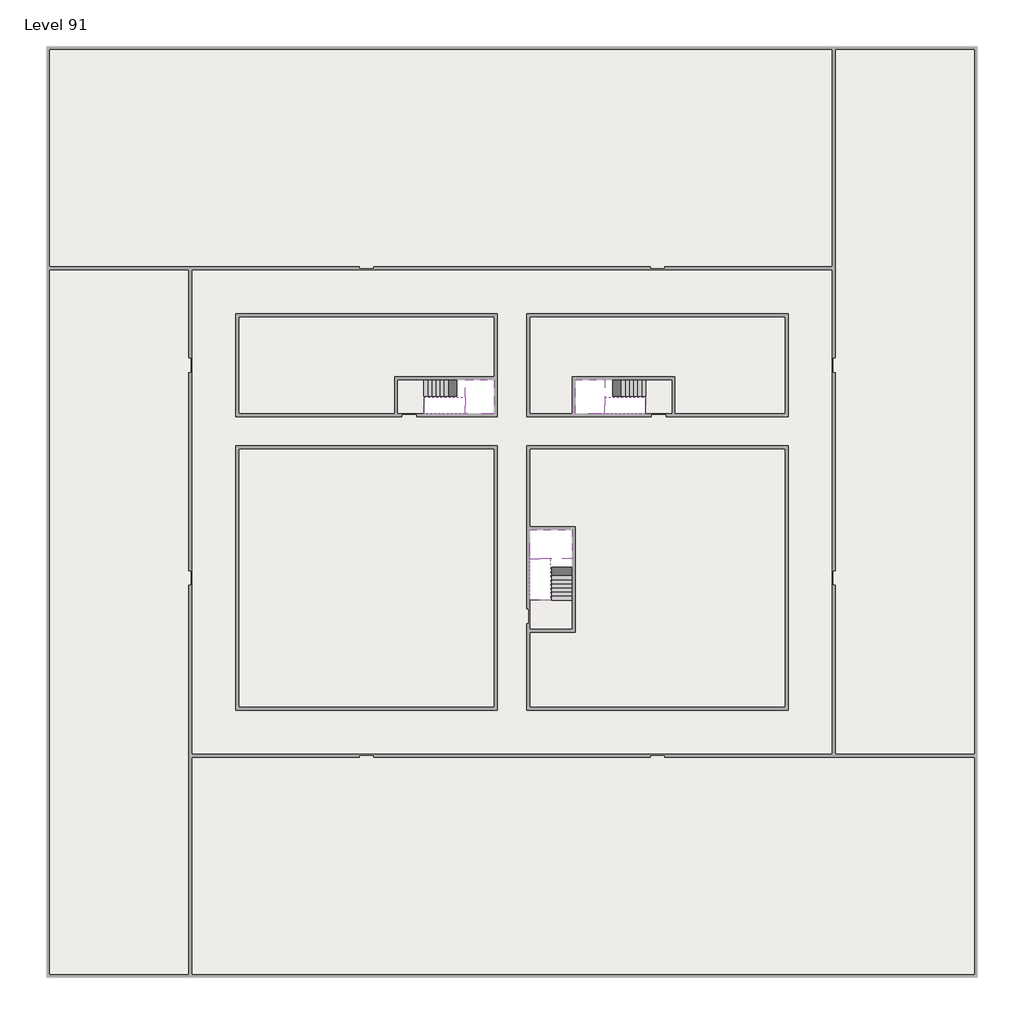
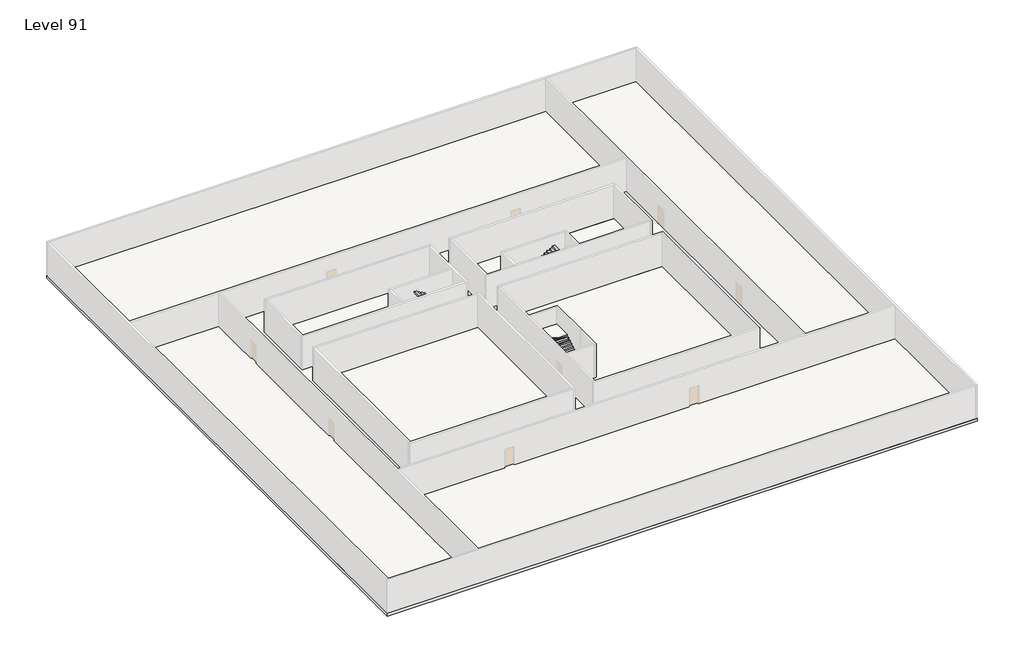
# One storey, part 2 of 2: 6 slabs, 6 stair flights.
"""IFC4 building model written with IfcOpenShell, lengths in millimetres."""

from ifc_helpers import new_model, si_unit, frame, origin, place, context, project, spatial, polyline, outline, extrude, faceted_brep, element, save

model = new_model("IFC4")

# Units and contexts
model_context = context("Model", 3, world=origin())
ifc_project = project(units=[si_unit("LENGTHUNIT", "METRE", prefix="MILLI")], contexts=[model_context])

# Site, building, storey
site = spatial("IfcSite", under=ifc_project)
building = spatial("IfcBuilding", under=site)
storey = spatial("IfcBuildingStorey", under=building, Name="Level 91", Elevation=342000.0)

# Slabs
placement = place(None, origin())
element("IfcSlab", 1, at=placement, inside=storey, context=model_context, shape_type="SweptSolid", body=[
    extrude(outline(polyline([(55890.1058784, -5518.09644), (55890.1058784, -68918.09644), (-7509.8941216, -68918.09644), (-7509.8941216, -5518.09644), (55890.1058784, -5518.09644)]), holes=[polyline([(22990.1058784, -23918.09644), (5590.1058784, -23918.09644), (5590.1058784, -30518.09644), (22990.1058784, -30518.09644), (22990.1058784, -23918.09644)]), polyline([(42990.1058784, -23918.09644), (25390.1058784, -23918.09644), (25390.1058784, -30518.09644), (42990.1058784, -30518.09644), (42990.1058784, -23918.09644)]), polyline([(25390.1058784, -50518.09644), (42790.1058784, -50518.09644), (42790.1058784, -32918.09644), (25390.1058784, -32918.09644), (25390.1058784, -50518.09644)]), polyline([(22990.1058784, -32918.09644), (5590.1058784, -32918.09644), (5590.1058784, -50518.09644), (22990.1058784, -50518.09644), (22990.1058784, -32918.09644)])]), frame((0.0, 0.0, 341700.0), z_axis=(0.0, 0.0, 1.0), x_axis=(1.0, 0.0, 0.0)), (0.0, 0.0, 1.0), 300.0),
])
element("IfcSlab", 2, at=placement, inside=storey, context=model_context, shape_type="SweptSolid", body=[
    extrude(outline(polyline([(22990.1058784, -23918.09644), (22990.1058784, -28018.09644), (16190.1058784, -28018.09644), (16190.1058784, -30518.09644), (5590.1058784, -30518.09644), (5590.1058784, -23918.09644), (22990.1058784, -23918.09644)])), frame((0.0, 0.0, 341700.0), z_axis=(0.0, 0.0, 1.0), x_axis=(1.0, 0.0, 0.0)), (0.0, 0.0, 1.0), 300.0),
    extrude(outline(polyline([(42790.1058784, -23918.09644), (42790.1058784, -30518.09644), (35290.1058784, -30518.09644), (35290.1058784, -28018.09644), (28490.1058784, -28018.09644), (28490.1058784, -30518.09644), (25390.1058784, -30518.09644), (25390.1058784, -23918.09644), (42790.1058784, -23918.09644)])), frame((0.0, 0.0, 341700.0), z_axis=(0.0, 0.0, 1.0), x_axis=(1.0, 0.0, 0.0)), (0.0, 0.0, 1.0), 300.0),
    extrude(outline(polyline([(22990.1058784, -32918.09644), (22990.1058784, -50518.09644), (5590.1058784, -50518.09644), (5590.1058784, -32918.09644), (22990.1058784, -32918.09644)])), frame((0.0, 0.0, 341700.0), z_axis=(0.0, 0.0, 1.0), x_axis=(1.0, 0.0, 0.0)), (0.0, 0.0, 1.0), 300.0),
    extrude(outline(polyline([(25390.1058784, -38218.09644), (25390.1058784, -32918.09644), (42790.1058784, -32918.09644), (42790.1058784, -50518.09644), (25390.1058784, -50518.09644), (25390.1058784, -45418.09644), (28490.1058784, -45418.09644), (28490.1058784, -38218.09644), (25390.1058784, -38218.09644)])), frame((0.0, 0.0, 341700.0), z_axis=(0.0, 0.0, 1.0), x_axis=(1.0, 0.0, 0.0)), (0.0, 0.0, 1.0), 300.0),
])
element("IfcSlab", 3, at=placement, inside=storey, context=model_context, shape_type="Brep", body=[
    faceted_brep([(26890.1058784, -40418.09644, 343900.0), (28290.1058784, -40418.09644, 343900.0), (28290.1058784, -40338.7100038, 343900.0), (28290.1058784, -38418.09644, 343900.0), (25390.1058784, -38418.09644, 343900.0), (25390.1058784, -40217.4828763, 343900.0), (25390.1058784, -40418.09644, 343900.0), (26790.1058784, -40418.09644, 343900.0), (26890.1058784, -40418.09644, 343600.0), (26890.1058784, -40418.09644, 343551.0278478), (28290.1058784, -40418.09644, 343551.0278478), (28290.1058784, -40418.09644, 343727.2727273), (28290.1058784, -40338.7100038, 343600.0), (28290.1058784, -38418.09644, 343600.0), (25390.1058784, -38418.09644, 343600.0), (25390.1058784, -40217.4828763, 343600.0), (25390.1058784, -40418.09644, 343723.7551205), (26790.1058784, -40418.09644, 343723.7551205), (26790.1058784, -40418.09644, 343600.0), (26790.1058784, -40217.4828763, 343600.0), (26890.1058784, -40338.7100038, 343600.0)], [[[0, 1, 2, 3, 4, 5, 6, 7]], [[1, 0, 8, 9, 10, 11]], [[1, 11, 10, 12, 13, 3, 2]], [[4, 3, 13, 14]], [[4, 14, 15, 16, 6, 5]], [[7, 6, 16, 17]], [[0, 7, 17, 18, 8]], [[18, 19, 15, 14, 13, 12, 20, 8]], [[19, 18, 17]], [[20, 12, 10, 9]], [[8, 20, 9]], [[15, 19, 17, 16]]]),
])
element("IfcSlab", 4, at=placement, inside=storey, context=model_context, shape_type="Brep", body=[
    faceted_brep([(20990.1058784, -28218.09644, 343900.0), (20990.1058784, -29318.09644, 343900.0), (20990.1058784, -29418.09644, 343900.0), (20990.1058784, -30518.09644, 343900.0), (21190.7194421, -30518.09644, 343900.0), (22990.1058784, -30518.09644, 343900.0), (22990.1058784, -28218.09644, 343900.0), (21069.4923146, -28218.09644, 343900.0), (20990.1058784, -28218.09644, 343727.2727273), (20990.1058784, -28218.09644, 343551.0278478), (20990.1058784, -29318.09644, 343551.0278478), (20990.1058784, -29318.09644, 343600.0), (20990.1058784, -29418.09644, 343600.0), (20990.1058784, -29418.09644, 343723.7551205), (20990.1058784, -30518.09644, 343723.7551205), (21190.7194421, -30518.09644, 343600.0), (22990.1058784, -30518.09644, 343600.0), (22990.1058784, -28218.09644, 343600.0), (21069.4923146, -28218.09644, 343600.0), (21190.7194421, -29418.09644, 343600.0), (21069.4923146, -29318.09644, 343600.0)], [[[0, 1, 2, 3, 4, 5, 6, 7]], [[1, 0, 8, 9, 10, 11]], [[2, 1, 11, 12, 13]], [[3, 2, 13, 14]], [[3, 14, 15, 16, 5, 4]], [[6, 5, 16, 17]], [[9, 8, 0, 7, 6, 17, 18]], [[19, 12, 11, 20, 18, 17, 16, 15]], [[12, 19, 13]], [[18, 20, 10, 9]], [[20, 11, 10]], [[19, 15, 14, 13]]]),
])
element("IfcSlab", 5, at=placement, inside=storey, context=model_context, shape_type="Brep", body=[
    faceted_brep([(30490.1058784, -29318.09644, 343900.0), (30490.1058784, -28218.09644, 343900.0), (30410.7194421, -28218.09644, 343900.0), (28490.1058784, -28218.09644, 343900.0), (28490.1058784, -30518.09644, 343900.0), (30289.4923146, -30518.09644, 343900.0), (30490.1058784, -30518.09644, 343900.0), (30490.1058784, -29418.09644, 343900.0), (30490.1058784, -29318.09644, 343600.0), (30490.1058784, -29318.09644, 343551.0278478), (30490.1058784, -28218.09644, 343551.0278478), (30490.1058784, -28218.09644, 343727.2727273), (30490.1058784, -29418.09644, 343723.7551205), (30490.1058784, -29418.09644, 343600.0), (30490.1058784, -30518.09644, 343723.7551205), (28490.1058784, -30518.09644, 343600.0), (30289.4923146, -30518.09644, 343600.0), (28490.1058784, -28218.09644, 343600.0), (30410.7194421, -28218.09644, 343600.0), (30289.4923146, -29418.09644, 343600.0), (30410.7194421, -29318.09644, 343600.0)], [[[0, 1, 2, 3, 4, 5, 6, 7]], [[1, 0, 8, 9, 10, 11]], [[0, 7, 12, 13, 8]], [[7, 6, 14, 12]], [[4, 15, 16, 14, 6, 5]], [[4, 3, 17, 15]], [[1, 11, 10, 18, 17, 3, 2]], [[13, 19, 16, 15, 17, 18, 20, 8]], [[20, 18, 10, 9]], [[8, 20, 9]], [[16, 19, 12, 14]], [[19, 13, 12]]]),
])
element("IfcSlab", 6, at=placement, inside=storey, context=model_context, shape_type="SweptSolid", body=[
    extrude(outline(polyline([(35090.1058784, -28218.09644), (35090.1058784, -30518.09644), (33290.1058784, -30518.09644), (33290.1058784, -28218.09644), (35090.1058784, -28218.09644)])), frame((0.0, 0.0, 341700.0), z_axis=(0.0, 0.0, 1.0), x_axis=(1.0, 0.0, 0.0)), (0.0, 0.0, 1.0), 300.0),
    extrude(outline(polyline([(18190.1058784, -28218.09644), (18190.1058784, -30518.09644), (16390.1058784, -30518.09644), (16390.1058784, -28218.09644), (18190.1058784, -28218.09644)])), frame((0.0, 0.0, 341700.0), z_axis=(0.0, 0.0, 1.0), x_axis=(1.0, 0.0, 0.0)), (0.0, 0.0, 1.0), 300.0),
    extrude(outline(polyline([(28290.1058784, -43218.09644), (28290.1058784, -45218.09644), (25390.1058784, -45218.09644), (25390.1058784, -43218.09644), (28290.1058784, -43218.09644)])), frame((0.0, 0.0, 341700.0), z_axis=(0.0, 0.0, 1.0), x_axis=(1.0, 0.0, 0.0)), (0.0, 0.0, 1.0), 300.0),
])

# Stair flights
element("IfcStairFlight", 7, at=placement, inside=storey, context=model_context, shape_type="Brep", body=[
    faceted_brep([(26890.1058784, -42938.09644, 342172.7272727), (26890.1058784, -43218.09644, 342172.7272727), (28290.1058784, -43218.09644, 342172.7272727), (28290.1058784, -42938.09644, 342172.7272727), (26890.1058784, -42938.09644, 342000.0), (26890.1058784, -43218.09644, 342000.0), (28290.1058784, -43218.09644, 342000.0), (28290.1058784, -42938.09644, 342000.0), (26890.1058784, -42658.09644, 342345.4545455), (26890.1058784, -42938.09644, 342345.4545455), (28290.1058784, -42938.09644, 342345.4545455), (28290.1058784, -42658.09644, 342345.4545455), (26890.1058784, -42658.09644, 342169.209666), (26890.1058784, -42932.3942143, 342000.0), (28290.1058784, -42932.3942143, 342000.0), (28290.1058784, -42658.09644, 342169.209666), (26890.1058784, -42378.09644, 342518.1818182), (26890.1058784, -42658.09644, 342518.1818182), (28290.1058784, -42658.09644, 342518.1818182), (28290.1058784, -42378.09644, 342518.1818182), (26890.1058784, -42378.09644, 342341.9369387), (28290.1058784, -42378.09644, 342341.9369387), (26890.1058784, -42098.09644, 342690.9090909), (26890.1058784, -42378.09644, 342690.9090909), (28290.1058784, -42378.09644, 342690.9090909), (28290.1058784, -42098.09644, 342690.9090909), (26890.1058784, -42098.09644, 342514.6642114), (28290.1058784, -42098.09644, 342514.6642114), (26890.1058784, -41818.09644, 342863.6363636), (26890.1058784, -42098.09644, 342863.6363636), (28290.1058784, -42098.09644, 342863.6363636), (28290.1058784, -41818.09644, 342863.6363636), (26890.1058784, -41818.09644, 342687.3914841), (28290.1058784, -41818.09644, 342687.3914841), (26890.1058784, -41538.09644, 343036.3636364), (26890.1058784, -41818.09644, 343036.3636364), (28290.1058784, -41818.09644, 343036.3636364), (28290.1058784, -41538.09644, 343036.3636364), (26890.1058784, -41538.09644, 342860.1187569), (28290.1058784, -41538.09644, 342860.1187569), (26890.1058784, -41258.09644, 343209.0909091), (26890.1058784, -41538.09644, 343209.0909091), (28290.1058784, -41538.09644, 343209.0909091), (28290.1058784, -41258.09644, 343209.0909091), (26890.1058784, -41258.09644, 343032.8460296), (28290.1058784, -41258.09644, 343032.8460296), (26890.1058784, -40978.09644, 343381.8181818), (26890.1058784, -41258.09644, 343381.8181818), (28290.1058784, -41258.09644, 343381.8181818), (28290.1058784, -40978.09644, 343381.8181818), (26890.1058784, -40978.09644, 343205.5733023), (28290.1058784, -40978.09644, 343205.5733023), (26890.1058784, -40698.09644, 343554.5454545), (26890.1058784, -40978.09644, 343554.5454545), (28290.1058784, -40978.09644, 343554.5454545), (28290.1058784, -40698.09644, 343554.5454545), (26890.1058784, -40698.09644, 343378.3005751), (28290.1058784, -40698.09644, 343378.3005751), (26890.1058784, -40418.09644, 343727.2727273), (26890.1058784, -40698.09644, 343727.2727273), (28290.1058784, -40698.09644, 343727.2727273), (28290.1058784, -40418.09644, 343727.2727273), (26890.1058784, -40418.09644, 343600.0), (26890.1058784, -40418.09644, 343551.0278478), (28290.1058784, -40418.09644, 343551.0278478)], [[[0, 1, 2, 3]], [[1, 0, 4, 5]], [[2, 1, 5, 6]], [[3, 2, 6, 7]], [[8, 9, 10, 11]], [[4, 0, 9, 8, 12, 13]], [[0, 3, 10, 9]], [[3, 7, 14, 15, 11, 10]], [[16, 17, 18, 19]], [[17, 16, 20, 12, 8]], [[8, 11, 18, 17]], [[19, 18, 11, 15, 21]], [[22, 23, 24, 25]], [[23, 22, 26, 20, 16]], [[16, 19, 24, 23]], [[25, 24, 19, 21, 27]], [[28, 29, 30, 31]], [[29, 28, 32, 26, 22]], [[22, 25, 30, 29]], [[31, 30, 25, 27, 33]], [[34, 35, 36, 37]], [[35, 34, 38, 32, 28]], [[28, 31, 36, 35]], [[37, 36, 31, 33, 39]], [[40, 41, 42, 43]], [[41, 40, 44, 38, 34]], [[34, 37, 42, 41]], [[43, 42, 37, 39, 45]], [[46, 47, 48, 49]], [[47, 46, 50, 44, 40]], [[40, 43, 48, 47]], [[49, 48, 43, 45, 51]], [[52, 53, 54, 55]], [[53, 52, 56, 50, 46]], [[46, 49, 54, 53]], [[55, 54, 49, 51, 57]], [[58, 59, 60, 61]], [[59, 58, 62, 63, 56, 52]], [[52, 55, 60, 59]], [[61, 60, 55, 57, 64]], [[58, 61, 64, 63, 62]], [[5, 4, 13, 14, 7, 6]], [[14, 13, 12, 20, 26, 32, 38, 44, 50, 56, 63, 64, 57, 51, 45, 39, 33, 27, 21, 15]]]),
])
element("IfcStairFlight", 8, at=placement, inside=storey, context=model_context, shape_type="Brep", body=[
    faceted_brep([(26790.1058784, -40698.09644, 344072.7272727), (26790.1058784, -40418.09644, 344072.7272727), (25390.1058784, -40418.09644, 344072.7272727), (25390.1058784, -40698.09644, 344072.7272727), (26790.1058784, -40698.09644, 343896.4823932), (26790.1058784, -40418.09644, 343723.7551205), (25390.1058784, -40418.09644, 343723.7551205), (25390.1058784, -40418.09644, 343900.0), (25390.1058784, -40698.09644, 343896.4823932), (26790.1058784, -40978.09644, 344245.4545455), (26790.1058784, -40698.09644, 344245.4545455), (25390.1058784, -40698.09644, 344245.4545455), (25390.1058784, -40978.09644, 344245.4545455), (26790.1058784, -40978.09644, 344069.209666), (25390.1058784, -40978.09644, 344069.209666), (26790.1058784, -41258.09644, 344418.1818182), (26790.1058784, -40978.09644, 344418.1818182), (25390.1058784, -40978.09644, 344418.1818182), (25390.1058784, -41258.09644, 344418.1818182), (26790.1058784, -41258.09644, 344241.9369387), (25390.1058784, -41258.09644, 344241.9369387), (26790.1058784, -41538.09644, 344590.9090909), (26790.1058784, -41258.09644, 344590.9090909), (25390.1058784, -41258.09644, 344590.9090909), (25390.1058784, -41538.09644, 344590.9090909), (26790.1058784, -41538.09644, 344414.6642114), (25390.1058784, -41538.09644, 344414.6642114), (26790.1058784, -41818.09644, 344763.6363636), (26790.1058784, -41538.09644, 344763.6363636), (25390.1058784, -41538.09644, 344763.6363636), (25390.1058784, -41818.09644, 344763.6363636), (26790.1058784, -41818.09644, 344587.3914841), (25390.1058784, -41818.09644, 344587.3914841), (26790.1058784, -42098.09644, 344936.3636364), (26790.1058784, -41818.09644, 344936.3636364), (25390.1058784, -41818.09644, 344936.3636364), (25390.1058784, -42098.09644, 344936.3636364), (26790.1058784, -42098.09644, 344760.1187569), (25390.1058784, -42098.09644, 344760.1187569), (26790.1058784, -42378.09644, 345109.0909091), (26790.1058784, -42098.09644, 345109.0909091), (25390.1058784, -42098.09644, 345109.0909091), (25390.1058784, -42378.09644, 345109.0909091), (26790.1058784, -42378.09644, 344932.8460296), (25390.1058784, -42378.09644, 344932.8460296), (26790.1058784, -42658.09644, 345281.8181818), (26790.1058784, -42378.09644, 345281.8181818), (25390.1058784, -42378.09644, 345281.8181818), (25390.1058784, -42658.09644, 345281.8181818), (26790.1058784, -42658.09644, 345105.5733023), (25390.1058784, -42658.09644, 345105.5733023), (26790.1058784, -42938.09644, 345454.5454545), (26790.1058784, -42658.09644, 345454.5454545), (25390.1058784, -42658.09644, 345454.5454545), (25390.1058784, -42938.09644, 345454.5454545), (26790.1058784, -42938.09644, 345278.3005751), (25390.1058784, -42938.09644, 345278.3005751), (26790.1058784, -43218.09644, 345627.2727273), (26790.1058784, -42938.09644, 345627.2727273), (25390.1058784, -42938.09644, 345627.2727273), (25390.1058784, -43218.09644, 345627.2727273), (26790.1058784, -43218.09644, 345451.0278478), (25390.1058784, -43218.09644, 345451.0278478)], [[[0, 1, 2, 3]], [[1, 0, 4, 5]], [[2, 1, 5, 6, 7]], [[3, 2, 7, 6, 8]], [[9, 10, 11, 12]], [[10, 9, 13, 4, 0]], [[11, 10, 0, 3]], [[12, 11, 3, 8, 14]], [[15, 16, 17, 18]], [[16, 15, 19, 13, 9]], [[17, 16, 9, 12]], [[18, 17, 12, 14, 20]], [[21, 22, 23, 24]], [[22, 21, 25, 19, 15]], [[23, 22, 15, 18]], [[24, 23, 18, 20, 26]], [[27, 28, 29, 30]], [[28, 27, 31, 25, 21]], [[29, 28, 21, 24]], [[30, 29, 24, 26, 32]], [[33, 34, 35, 36]], [[34, 33, 37, 31, 27]], [[35, 34, 27, 30]], [[36, 35, 30, 32, 38]], [[39, 40, 41, 42]], [[40, 39, 43, 37, 33]], [[41, 40, 33, 36]], [[42, 41, 36, 38, 44]], [[45, 46, 47, 48]], [[46, 45, 49, 43, 39]], [[47, 46, 39, 42]], [[48, 47, 42, 44, 50]], [[51, 52, 53, 54]], [[52, 51, 55, 49, 45]], [[53, 52, 45, 48]], [[54, 53, 48, 50, 56]], [[57, 58, 59, 60]], [[58, 57, 61, 55, 51]], [[59, 58, 51, 54]], [[60, 59, 54, 56, 62]], [[57, 60, 62, 61]], [[5, 4, 13, 19, 25, 31, 37, 43, 49, 55, 61, 62, 56, 50, 44, 38, 32, 26, 20, 14, 8, 6]]]),
])
element("IfcStairFlight", 9, at=placement, inside=storey, context=model_context, shape_type="Brep", body=[
    faceted_brep([(18470.1058784, -28218.09644, 342172.7272727), (18190.1058784, -28218.09644, 342172.7272727), (18190.1058784, -29318.09644, 342172.7272727), (18470.1058784, -29318.09644, 342172.7272727), (18470.1058784, -28218.09644, 342000.0), (18190.1058784, -28218.09644, 342000.0), (18190.1058784, -29318.09644, 342000.0), (18470.1058784, -29318.09644, 342000.0), (18750.1058784, -28218.09644, 342345.4545455), (18470.1058784, -28218.09644, 342345.4545455), (18470.1058784, -29318.09644, 342345.4545455), (18750.1058784, -29318.09644, 342345.4545455), (18750.1058784, -28218.09644, 342169.209666), (18475.8081041, -28218.09644, 342000.0), (18475.8081041, -29318.09644, 342000.0), (18750.1058784, -29318.09644, 342169.209666), (19030.1058784, -28218.09644, 342518.1818182), (18750.1058784, -28218.09644, 342518.1818182), (18750.1058784, -29318.09644, 342518.1818182), (19030.1058784, -29318.09644, 342518.1818182), (19030.1058784, -28218.09644, 342341.9369387), (19030.1058784, -29318.09644, 342341.9369387), (19310.1058784, -28218.09644, 342690.9090909), (19030.1058784, -28218.09644, 342690.9090909), (19030.1058784, -29318.09644, 342690.9090909), (19310.1058784, -29318.09644, 342690.9090909), (19310.1058784, -28218.09644, 342514.6642114), (19310.1058784, -29318.09644, 342514.6642114), (19590.1058784, -28218.09644, 342863.6363636), (19310.1058784, -28218.09644, 342863.6363636), (19310.1058784, -29318.09644, 342863.6363636), (19590.1058784, -29318.09644, 342863.6363636), (19590.1058784, -28218.09644, 342687.3914841), (19590.1058784, -29318.09644, 342687.3914841), (19870.1058784, -28218.09644, 343036.3636364), (19590.1058784, -28218.09644, 343036.3636364), (19590.1058784, -29318.09644, 343036.3636364), (19870.1058784, -29318.09644, 343036.3636364), (19870.1058784, -28218.09644, 342860.1187569), (19870.1058784, -29318.09644, 342860.1187569), (20150.1058784, -28218.09644, 343209.0909091), (19870.1058784, -28218.09644, 343209.0909091), (19870.1058784, -29318.09644, 343209.0909091), (20150.1058784, -29318.09644, 343209.0909091), (20150.1058784, -28218.09644, 343032.8460296), (20150.1058784, -29318.09644, 343032.8460296), (20430.1058784, -28218.09644, 343381.8181818), (20150.1058784, -28218.09644, 343381.8181818), (20150.1058784, -29318.09644, 343381.8181818), (20430.1058784, -29318.09644, 343381.8181818), (20430.1058784, -28218.09644, 343205.5733023), (20430.1058784, -29318.09644, 343205.5733023), (20710.1058784, -28218.09644, 343554.5454545), (20430.1058784, -28218.09644, 343554.5454545), (20430.1058784, -29318.09644, 343554.5454545), (20710.1058784, -29318.09644, 343554.5454545), (20710.1058784, -28218.09644, 343378.3005751), (20710.1058784, -29318.09644, 343378.3005751), (20990.1058784, -28218.09644, 343727.2727273), (20710.1058784, -28218.09644, 343727.2727273), (20710.1058784, -29318.09644, 343727.2727273), (20990.1058784, -29318.09644, 343727.2727273), (20990.1058784, -28218.09644, 343551.0278478), (20990.1058784, -29318.09644, 343551.0278478), (20990.1058784, -29318.09644, 343600.0)], [[[0, 1, 2, 3]], [[1, 0, 4, 5]], [[2, 1, 5, 6]], [[3, 2, 6, 7]], [[8, 9, 10, 11]], [[4, 0, 9, 8, 12, 13]], [[0, 3, 10, 9]], [[3, 7, 14, 15, 11, 10]], [[16, 17, 18, 19]], [[17, 16, 20, 12, 8]], [[8, 11, 18, 17]], [[19, 18, 11, 15, 21]], [[22, 23, 24, 25]], [[23, 22, 26, 20, 16]], [[16, 19, 24, 23]], [[25, 24, 19, 21, 27]], [[28, 29, 30, 31]], [[29, 28, 32, 26, 22]], [[22, 25, 30, 29]], [[31, 30, 25, 27, 33]], [[34, 35, 36, 37]], [[35, 34, 38, 32, 28]], [[28, 31, 36, 35]], [[37, 36, 31, 33, 39]], [[40, 41, 42, 43]], [[41, 40, 44, 38, 34]], [[34, 37, 42, 41]], [[43, 42, 37, 39, 45]], [[46, 47, 48, 49]], [[47, 46, 50, 44, 40]], [[40, 43, 48, 47]], [[49, 48, 43, 45, 51]], [[52, 53, 54, 55]], [[53, 52, 56, 50, 46]], [[46, 49, 54, 53]], [[55, 54, 49, 51, 57]], [[58, 59, 60, 61]], [[59, 58, 62, 56, 52]], [[52, 55, 60, 59]], [[61, 60, 55, 57, 63, 64]], [[58, 61, 64, 63, 62]], [[5, 4, 13, 14, 7, 6]], [[14, 13, 12, 20, 26, 32, 38, 44, 50, 56, 62, 63, 57, 51, 45, 39, 33, 27, 21, 15]]]),
])
element("IfcStairFlight", 10, at=placement, inside=storey, context=model_context, shape_type="Brep", body=[
    faceted_brep([(20710.1058784, -30518.09644, 344072.7272727), (20990.1058784, -30518.09644, 344072.7272727), (20990.1058784, -29418.09644, 344072.7272727), (20710.1058784, -29418.09644, 344072.7272727), (20710.1058784, -30518.09644, 343896.4823932), (20990.1058784, -30518.09644, 343723.7551205), (20990.1058784, -30518.09644, 343900.0), (20990.1058784, -29418.09644, 343723.7551205), (20710.1058784, -29418.09644, 343896.4823932), (20430.1058784, -30518.09644, 344245.4545455), (20710.1058784, -30518.09644, 344245.4545455), (20710.1058784, -29418.09644, 344245.4545455), (20430.1058784, -29418.09644, 344245.4545455), (20430.1058784, -30518.09644, 344069.209666), (20430.1058784, -29418.09644, 344069.209666), (20150.1058784, -30518.09644, 344418.1818182), (20430.1058784, -30518.09644, 344418.1818182), (20430.1058784, -29418.09644, 344418.1818182), (20150.1058784, -29418.09644, 344418.1818182), (20150.1058784, -30518.09644, 344241.9369387), (20150.1058784, -29418.09644, 344241.9369387), (19870.1058784, -30518.09644, 344590.9090909), (20150.1058784, -30518.09644, 344590.9090909), (20150.1058784, -29418.09644, 344590.9090909), (19870.1058784, -29418.09644, 344590.9090909), (19870.1058784, -30518.09644, 344414.6642114), (19870.1058784, -29418.09644, 344414.6642114), (19590.1058784, -30518.09644, 344763.6363636), (19870.1058784, -30518.09644, 344763.6363636), (19870.1058784, -29418.09644, 344763.6363636), (19590.1058784, -29418.09644, 344763.6363636), (19590.1058784, -30518.09644, 344587.3914841), (19590.1058784, -29418.09644, 344587.3914841), (19310.1058784, -30518.09644, 344936.3636364), (19590.1058784, -30518.09644, 344936.3636364), (19590.1058784, -29418.09644, 344936.3636364), (19310.1058784, -29418.09644, 344936.3636364), (19310.1058784, -30518.09644, 344760.1187569), (19310.1058784, -29418.09644, 344760.1187569), (19030.1058784, -30518.09644, 345109.0909091), (19310.1058784, -30518.09644, 345109.0909091), (19310.1058784, -29418.09644, 345109.0909091), (19030.1058784, -29418.09644, 345109.0909091), (19030.1058784, -30518.09644, 344932.8460296), (19030.1058784, -29418.09644, 344932.8460296), (18750.1058784, -30518.09644, 345281.8181818), (19030.1058784, -30518.09644, 345281.8181818), (19030.1058784, -29418.09644, 345281.8181818), (18750.1058784, -29418.09644, 345281.8181818), (18750.1058784, -30518.09644, 345105.5733023), (18750.1058784, -29418.09644, 345105.5733023), (18470.1058784, -30518.09644, 345454.5454545), (18750.1058784, -30518.09644, 345454.5454545), (18750.1058784, -29418.09644, 345454.5454545), (18470.1058784, -29418.09644, 345454.5454545), (18470.1058784, -30518.09644, 345278.3005751), (18470.1058784, -29418.09644, 345278.3005751), (18190.1058784, -30518.09644, 345627.2727273), (18470.1058784, -30518.09644, 345627.2727273), (18470.1058784, -29418.09644, 345627.2727273), (18190.1058784, -29418.09644, 345627.2727273), (18190.1058784, -30518.09644, 345451.0278478), (18190.1058784, -29418.09644, 345451.0278478)], [[[0, 1, 2, 3]], [[1, 0, 4, 5, 6]], [[2, 1, 6, 5, 7]], [[3, 2, 7, 8]], [[9, 10, 11, 12]], [[10, 9, 13, 4, 0]], [[11, 10, 0, 3]], [[12, 11, 3, 8, 14]], [[15, 16, 17, 18]], [[16, 15, 19, 13, 9]], [[17, 16, 9, 12]], [[18, 17, 12, 14, 20]], [[21, 22, 23, 24]], [[22, 21, 25, 19, 15]], [[23, 22, 15, 18]], [[24, 23, 18, 20, 26]], [[27, 28, 29, 30]], [[28, 27, 31, 25, 21]], [[29, 28, 21, 24]], [[30, 29, 24, 26, 32]], [[33, 34, 35, 36]], [[34, 33, 37, 31, 27]], [[35, 34, 27, 30]], [[36, 35, 30, 32, 38]], [[39, 40, 41, 42]], [[40, 39, 43, 37, 33]], [[41, 40, 33, 36]], [[42, 41, 36, 38, 44]], [[45, 46, 47, 48]], [[46, 45, 49, 43, 39]], [[47, 46, 39, 42]], [[48, 47, 42, 44, 50]], [[51, 52, 53, 54]], [[52, 51, 55, 49, 45]], [[53, 52, 45, 48]], [[54, 53, 48, 50, 56]], [[57, 58, 59, 60]], [[58, 57, 61, 55, 51]], [[59, 58, 51, 54]], [[60, 59, 54, 56, 62]], [[57, 60, 62, 61]], [[5, 4, 13, 19, 25, 31, 37, 43, 49, 55, 61, 62, 56, 50, 44, 38, 32, 26, 20, 14, 8, 7]]]),
])
element("IfcStairFlight", 11, at=placement, inside=storey, context=model_context, shape_type="Brep", body=[
    faceted_brep([(33010.1058784, -29318.09644, 342172.7272727), (33290.1058784, -29318.09644, 342172.7272727), (33290.1058784, -28218.09644, 342172.7272727), (33010.1058784, -28218.09644, 342172.7272727), (33290.1058784, -28218.09644, 342000.0), (33010.1058784, -28218.09644, 342000.0), (33290.1058784, -29318.09644, 342000.0), (33010.1058784, -29318.09644, 342000.0), (32730.1058784, -29318.09644, 342345.4545455), (33010.1058784, -29318.09644, 342345.4545455), (33010.1058784, -28218.09644, 342345.4545455), (32730.1058784, -28218.09644, 342345.4545455), (33004.4036527, -28218.09644, 342000.0), (32730.1058784, -28218.09644, 342169.209666), (32730.1058784, -29318.09644, 342169.209666), (33004.4036527, -29318.09644, 342000.0), (32450.1058784, -29318.09644, 342518.1818182), (32730.1058784, -29318.09644, 342518.1818182), (32730.1058784, -28218.09644, 342518.1818182), (32450.1058784, -28218.09644, 342518.1818182), (32450.1058784, -28218.09644, 342341.9369387), (32450.1058784, -29318.09644, 342341.9369387), (32170.1058784, -29318.09644, 342690.9090909), (32450.1058784, -29318.09644, 342690.9090909), (32450.1058784, -28218.09644, 342690.9090909), (32170.1058784, -28218.09644, 342690.9090909), (32170.1058784, -28218.09644, 342514.6642114), (32170.1058784, -29318.09644, 342514.6642114), (31890.1058784, -29318.09644, 342863.6363636), (32170.1058784, -29318.09644, 342863.6363636), (32170.1058784, -28218.09644, 342863.6363636), (31890.1058784, -28218.09644, 342863.6363636), (31890.1058784, -28218.09644, 342687.3914841), (31890.1058784, -29318.09644, 342687.3914841), (31610.1058784, -29318.09644, 343036.3636364), (31890.1058784, -29318.09644, 343036.3636364), (31890.1058784, -28218.09644, 343036.3636364), (31610.1058784, -28218.09644, 343036.3636364), (31610.1058784, -28218.09644, 342860.1187569), (31610.1058784, -29318.09644, 342860.1187569), (31330.1058784, -29318.09644, 343209.0909091), (31610.1058784, -29318.09644, 343209.0909091), (31610.1058784, -28218.09644, 343209.0909091), (31330.1058784, -28218.09644, 343209.0909091), (31330.1058784, -28218.09644, 343032.8460296), (31330.1058784, -29318.09644, 343032.8460296), (31050.1058784, -29318.09644, 343381.8181818), (31330.1058784, -29318.09644, 343381.8181818), (31330.1058784, -28218.09644, 343381.8181818), (31050.1058784, -28218.09644, 343381.8181818), (31050.1058784, -28218.09644, 343205.5733023), (31050.1058784, -29318.09644, 343205.5733023), (30770.1058784, -29318.09644, 343554.5454545), (31050.1058784, -29318.09644, 343554.5454545), (31050.1058784, -28218.09644, 343554.5454545), (30770.1058784, -28218.09644, 343554.5454545), (30770.1058784, -28218.09644, 343378.3005751), (30770.1058784, -29318.09644, 343378.3005751), (30490.1058784, -29318.09644, 343727.2727273), (30770.1058784, -29318.09644, 343727.2727273), (30770.1058784, -28218.09644, 343727.2727273), (30490.1058784, -28218.09644, 343727.2727273), (30490.1058784, -28218.09644, 343551.0278478), (30490.1058784, -29318.09644, 343600.0), (30490.1058784, -29318.09644, 343551.0278478)], [[[0, 1, 2, 3]], [[3, 2, 4, 5]], [[2, 1, 6, 4]], [[1, 0, 7, 6]], [[8, 9, 10, 11]], [[3, 5, 12, 13, 11, 10]], [[0, 3, 10, 9]], [[7, 0, 9, 8, 14, 15]], [[16, 17, 18, 19]], [[19, 18, 11, 13, 20]], [[8, 11, 18, 17]], [[17, 16, 21, 14, 8]], [[22, 23, 24, 25]], [[25, 24, 19, 20, 26]], [[16, 19, 24, 23]], [[23, 22, 27, 21, 16]], [[28, 29, 30, 31]], [[31, 30, 25, 26, 32]], [[22, 25, 30, 29]], [[29, 28, 33, 27, 22]], [[34, 35, 36, 37]], [[37, 36, 31, 32, 38]], [[28, 31, 36, 35]], [[35, 34, 39, 33, 28]], [[40, 41, 42, 43]], [[43, 42, 37, 38, 44]], [[34, 37, 42, 41]], [[41, 40, 45, 39, 34]], [[46, 47, 48, 49]], [[49, 48, 43, 44, 50]], [[40, 43, 48, 47]], [[47, 46, 51, 45, 40]], [[52, 53, 54, 55]], [[55, 54, 49, 50, 56]], [[46, 49, 54, 53]], [[53, 52, 57, 51, 46]], [[58, 59, 60, 61]], [[61, 60, 55, 56, 62]], [[52, 55, 60, 59]], [[59, 58, 63, 64, 57, 52]], [[58, 61, 62, 64, 63]], [[6, 7, 15, 12, 5, 4]], [[12, 15, 14, 21, 27, 33, 39, 45, 51, 57, 64, 62, 56, 50, 44, 38, 32, 26, 20, 13]]]),
])
element("IfcStairFlight", 12, at=placement, inside=storey, context=model_context, shape_type="Brep", body=[
    faceted_brep([(30770.1058784, -29418.09644, 344072.7272727), (30490.1058784, -29418.09644, 344072.7272727), (30490.1058784, -30518.09644, 344072.7272727), (30770.1058784, -30518.09644, 344072.7272727), (30490.1058784, -30518.09644, 343900.0), (30490.1058784, -30518.09644, 343723.7551205), (30770.1058784, -30518.09644, 343896.4823932), (30490.1058784, -29418.09644, 343723.7551205), (30770.1058784, -29418.09644, 343896.4823932), (31050.1058784, -29418.09644, 344245.4545455), (30770.1058784, -29418.09644, 344245.4545455), (30770.1058784, -30518.09644, 344245.4545455), (31050.1058784, -30518.09644, 344245.4545455), (31050.1058784, -30518.09644, 344069.209666), (31050.1058784, -29418.09644, 344069.209666), (31330.1058784, -29418.09644, 344418.1818182), (31050.1058784, -29418.09644, 344418.1818182), (31050.1058784, -30518.09644, 344418.1818182), (31330.1058784, -30518.09644, 344418.1818182), (31330.1058784, -30518.09644, 344241.9369387), (31330.1058784, -29418.09644, 344241.9369387), (31610.1058784, -29418.09644, 344590.9090909), (31330.1058784, -29418.09644, 344590.9090909), (31330.1058784, -30518.09644, 344590.9090909), (31610.1058784, -30518.09644, 344590.9090909), (31610.1058784, -30518.09644, 344414.6642114), (31610.1058784, -29418.09644, 344414.6642114), (31890.1058784, -29418.09644, 344763.6363636), (31610.1058784, -29418.09644, 344763.6363636), (31610.1058784, -30518.09644, 344763.6363636), (31890.1058784, -30518.09644, 344763.6363636), (31890.1058784, -30518.09644, 344587.3914841), (31890.1058784, -29418.09644, 344587.3914841), (32170.1058784, -29418.09644, 344936.3636364), (31890.1058784, -29418.09644, 344936.3636364), (31890.1058784, -30518.09644, 344936.3636364), (32170.1058784, -30518.09644, 344936.3636364), (32170.1058784, -30518.09644, 344760.1187569), (32170.1058784, -29418.09644, 344760.1187569), (32450.1058784, -29418.09644, 345109.0909091), (32170.1058784, -29418.09644, 345109.0909091), (32170.1058784, -30518.09644, 345109.0909091), (32450.1058784, -30518.09644, 345109.0909091), (32450.1058784, -30518.09644, 344932.8460296), (32450.1058784, -29418.09644, 344932.8460296), (32730.1058784, -29418.09644, 345281.8181818), (32450.1058784, -29418.09644, 345281.8181818), (32450.1058784, -30518.09644, 345281.8181818), (32730.1058784, -30518.09644, 345281.8181818), (32730.1058784, -30518.09644, 345105.5733023), (32730.1058784, -29418.09644, 345105.5733023), (33010.1058784, -29418.09644, 345454.5454545), (32730.1058784, -29418.09644, 345454.5454545), (32730.1058784, -30518.09644, 345454.5454545), (33010.1058784, -30518.09644, 345454.5454545), (33010.1058784, -30518.09644, 345278.3005751), (33010.1058784, -29418.09644, 345278.3005751), (33290.1058784, -29418.09644, 345627.2727273), (33010.1058784, -29418.09644, 345627.2727273), (33010.1058784, -30518.09644, 345627.2727273), (33290.1058784, -30518.09644, 345627.2727273), (33290.1058784, -30518.09644, 345451.0278478), (33290.1058784, -29418.09644, 345451.0278478)], [[[0, 1, 2, 3]], [[3, 2, 4, 5, 6]], [[2, 1, 7, 5, 4]], [[1, 0, 8, 7]], [[9, 10, 11, 12]], [[12, 11, 3, 6, 13]], [[11, 10, 0, 3]], [[10, 9, 14, 8, 0]], [[15, 16, 17, 18]], [[18, 17, 12, 13, 19]], [[17, 16, 9, 12]], [[16, 15, 20, 14, 9]], [[21, 22, 23, 24]], [[24, 23, 18, 19, 25]], [[23, 22, 15, 18]], [[22, 21, 26, 20, 15]], [[27, 28, 29, 30]], [[30, 29, 24, 25, 31]], [[29, 28, 21, 24]], [[28, 27, 32, 26, 21]], [[33, 34, 35, 36]], [[36, 35, 30, 31, 37]], [[35, 34, 27, 30]], [[34, 33, 38, 32, 27]], [[39, 40, 41, 42]], [[42, 41, 36, 37, 43]], [[41, 40, 33, 36]], [[40, 39, 44, 38, 33]], [[45, 46, 47, 48]], [[48, 47, 42, 43, 49]], [[47, 46, 39, 42]], [[46, 45, 50, 44, 39]], [[51, 52, 53, 54]], [[54, 53, 48, 49, 55]], [[53, 52, 45, 48]], [[52, 51, 56, 50, 45]], [[57, 58, 59, 60]], [[60, 59, 54, 55, 61]], [[59, 58, 51, 54]], [[58, 57, 62, 56, 51]], [[57, 60, 61, 62]], [[7, 8, 14, 20, 26, 32, 38, 44, 50, 56, 62, 61, 55, 49, 43, 37, 31, 25, 19, 13, 6, 5]]]),
])

save(model, "model.ifc")
